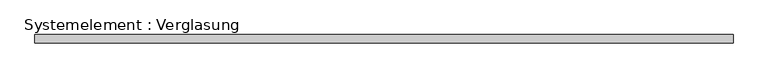
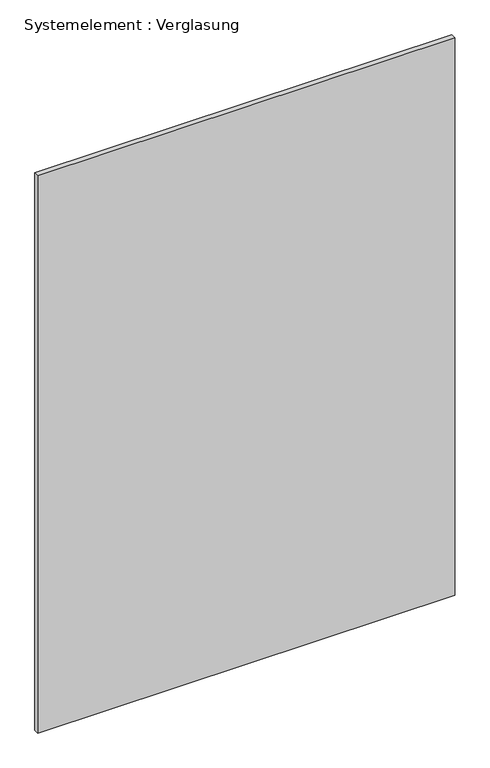
"""IFC4 building model written with IfcOpenShell, lengths in millimetres: plate geometry, Systemelement : Verglasung."""

from ifc_helpers import new_model, si_unit, origin, origin_with_axes, place, context, project, spatial, polyline, outline, extrude, source, transform, mapped, element, save


def systemelement_verglasung_51689248(model_context):
    return source(origin(), model_context, "Body", "SweptSolid", [
        extrude(outline(polyline([(1289.5224905, -15.0), (-1289.5224905, -15.0), (-1289.5224905, 15.0), (1289.5224905, 15.0), (1289.5224905, -15.0)])), origin_with_axes(), (0.0, 0.0, 1.0), 3645.0),
    ])


if __name__ == "__main__":
    model = new_model("IFC4")
    model_context = context("Model", 3, world=origin())
    ifc_project = project(units=[si_unit("LENGTHUNIT", "METRE", prefix="MILLI")], contexts=[model_context])
    site = spatial("IfcSite", under=ifc_project)
    building = spatial("IfcBuilding", under=site)
    placement = place(None, origin())
    systemelement_verglasung_shape = systemelement_verglasung_51689248(model_context)
    element("IfcPlate", 1, ObjectType="Systemelement : Verglasung", at=placement, inside=building, context=model_context, shape_type="MappedRepresentation", body=[
        mapped(systemelement_verglasung_shape, transform((0.0, 0.0, 0.0), x_axis=(1.0, 0.0, 0.0), y_axis=(0.0, 1.0, 0.0), z_axis=(0.0, 0.0, 1.0))),
    ])
    save(model, "model.ifc")
